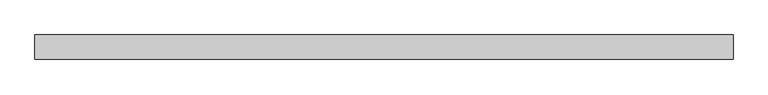
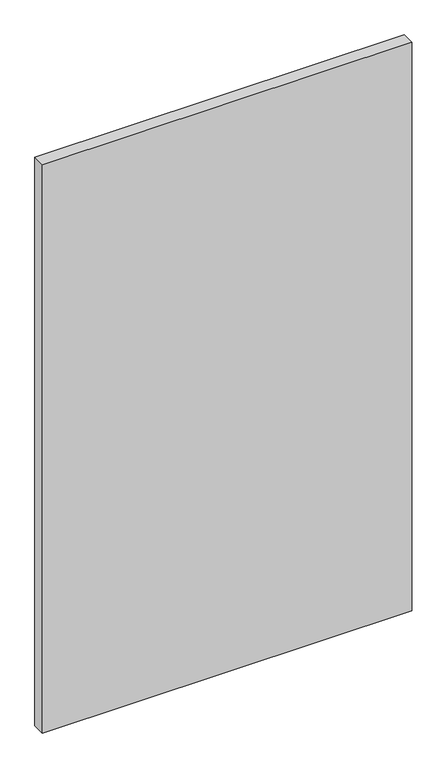
"""IFC4 building model written with IfcOpenShell, lengths in millimetres: plate geometry."""

from ifc_helpers import new_model, si_unit, origin, origin_with_axes, place, context, project, spatial, polyline, outline, extrude, source, transform, mapped, element, save


def plate_f3fc57f2(model_context):
    return source(origin(), model_context, "Body", "SweptSolid", [
        extrude(outline(polyline([(541.5564453, -19.05), (-541.5564453, -19.05), (-541.5564453, 19.05), (541.5564453, 19.05), (541.5564453, -19.05)])), origin_with_axes(), (0.0, 0.0, 1.0), 1761.3),
    ])


if __name__ == "__main__":
    model = new_model("IFC4")
    model_context = context("Model", 3, world=origin())
    ifc_project = project(units=[si_unit("LENGTHUNIT", "METRE", prefix="MILLI")], contexts=[model_context])
    site = spatial("IfcSite", under=ifc_project)
    building = spatial("IfcBuilding", under=site)
    placement = place(None, origin())
    plate_shape = plate_f3fc57f2(model_context)
    element("IfcPlate", 1, at=placement, inside=building, context=model_context, shape_type="MappedRepresentation", body=[
        mapped(plate_shape, transform((0.0, 0.0, 0.0), x_axis=(1.0, 0.0, 0.0), y_axis=(0.0, 1.0, 0.0), z_axis=(0.0, 0.0, 1.0))),
    ])
    save(model, "model.ifc")
